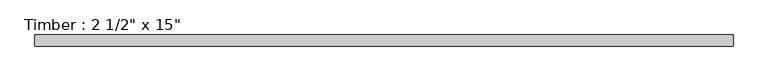
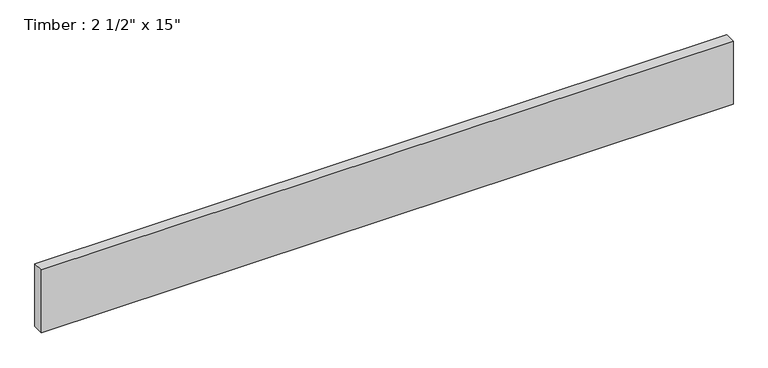
"""IFC4 building model written with IfcOpenShell, lengths in millimetres: beam geometry."""

import ifcopenshell
import ifcopenshell.guid

model = None  # the IFC model being written
_history = None  # IfcOwnerHistory: only IFC2X3 demands one
_inside = {}  # id of a spatial element -> (the spatial element, [elements in it])
_under = {}  # id of a project, library or spatial element -> (it, [spatial elements below it])
_declared = {}  # id of a project -> (the project, [libraries it declares])
_typed = {}  # id of a type object -> (the type object, [elements of that type])
_made_of = {}  # id of a material, layer set ... -> (it, [elements and type objects made of it])


def new_model(schema):
    """Start an empty IFC model of exactly this schema.

    Asked for "IFC4X3", IfcOpenShell would pick the latest addendum, in which some entities
    have other attributes; the version numbers below select the first issue.
    IFC2X3 requires an IfcOwnerHistory on every rooted entity: one is made here for all.
    """
    global model, _history
    if schema == "IFC4X3":
        model = ifcopenshell.file(schema_version=(4, 3, 0, 0))
    else:
        model = ifcopenshell.file(schema=schema)
    _inside.clear()
    _under.clear()
    _declared.clear()
    _typed.clear()
    _made_of.clear()
    _history = None
    if model.schema == "IFC2X3":
        org = make("IfcOrganization", Name="unknown")
        user = make(
            "IfcPersonAndOrganization",
            ThePerson=make("IfcPerson", FamilyName="unknown"),
            TheOrganization=org,
        )
        app = make(
            "IfcApplication",
            ApplicationDeveloper=org,
            Version="unknown",
            ApplicationFullName="unknown",
            ApplicationIdentifier="unknown",
        )
        _history = make(
            "IfcOwnerHistory",
            OwningUser=user,
            OwningApplication=app,
            ChangeAction="ADDED",
            CreationDate=0,
        )
    return model


def make(cls, **values):
    """One entity of the class cls with the attributes given. An attribute that is None is left unset."""
    return model.create_entity(
        cls, **{name: value for name, value in values.items() if value is not None}
    )


def rooted(cls, **values):
    """An entity with a GlobalId (a new one), such as an element, a storey or a relation."""
    return make(cls, GlobalId=ifcopenshell.guid.new(), OwnerHistory=_history, **values)


def si_unit(unit_type, name, prefix=None):
    """IfcSIUnit, for example si_unit("LENGTHUNIT", "METRE", prefix="MILLI")."""
    return make("IfcSIUnit", UnitType=unit_type, Prefix=prefix, Name=name)


def assignment(units):
    """IfcUnitAssignment: the units of a project."""
    return None if units is None else make("IfcUnitAssignment", Units=units)


def point(xyz):
    """IfcCartesianPoint."""
    return None if xyz is None else make("IfcCartesianPoint", Coordinates=xyz)


def direction(xyz):
    """IfcDirection."""
    return None if xyz is None else make("IfcDirection", DirectionRatios=xyz)


def frame(location, z_axis=None, x_axis=None):
    """IfcAxis2Placement3D, a coordinate frame: its origin and axes. An axis left out is left unset."""
    return make(
        "IfcAxis2Placement3D",
        Location=point(location),
        Axis=direction(z_axis),
        RefDirection=direction(x_axis),
    )


def origin():
    """The frame at (0, 0, 0) with its axes left unset."""
    return frame((0.0, 0.0, 0.0))


def place(relative_to, where):
    """IfcLocalPlacement: puts the frame where relative to a parent placement (None: the world)."""
    return make(
        "IfcLocalPlacement", PlacementRelTo=relative_to, RelativePlacement=where
    )


def context(
    kind, dimensions, precision=None, world=None, true_north=None, identifier=None
):
    """IfcGeometricRepresentationContext, for example the 3D "Model" context."""
    return make(
        "IfcGeometricRepresentationContext",
        ContextIdentifier=identifier,
        ContextType=kind,
        CoordinateSpaceDimension=dimensions,
        Precision=precision,
        WorldCoordinateSystem=world,
        TrueNorth=true_north,
    )


def project(units=None, contexts=None):
    """IfcProject with its units and contexts."""
    return rooted(
        "IfcProject",
        Name="project",
        RepresentationContexts=contexts,
        UnitsInContext=assignment(units),
    )


def spatial(cls, under=None, at=None, **own):
    """A site, building, storey or space (cls), placed at a placement, below another one or the project."""
    s = rooted(cls, ObjectPlacement=at, **own)
    if under is not None:
        _under.setdefault(under.id(), (under, []))[1].append(s)
    return s


def polyline(points):
    """IfcPolyline through the points."""
    return make("IfcPolyline", Points=[point(p) for p in points])


def outline(outer, holes=None, kind="AREA"):
    """IfcArbitraryClosedProfileDef: a profile drawn as a closed curve; with holes, ...WithVoids."""
    if holes is None:
        return make("IfcArbitraryClosedProfileDef", ProfileType=kind, OuterCurve=outer)
    return make(
        "IfcArbitraryProfileDefWithVoids",
        ProfileType=kind,
        OuterCurve=outer,
        InnerCurves=holes,
    )


def extrude(swept, where, along, depth):
    """IfcExtrudedAreaSolid: the profile swept, set in the frame where, extruded along a direction by depth."""
    return make(
        "IfcExtrudedAreaSolid",
        SweptArea=swept,
        Position=where,
        ExtrudedDirection=direction(along),
        Depth=depth,
    )


def shape(context_of_items, identifier, shape_type, items):
    """IfcShapeRepresentation: the items that make up one representation, for example the "Body"."""
    return make(
        "IfcShapeRepresentation",
        ContextOfItems=context_of_items,
        RepresentationIdentifier=identifier,
        RepresentationType=shape_type,
        Items=items,
    )


def source(mapping_origin, context_of_items, identifier, shape_type, items):
    """IfcRepresentationMap: a shape defined once, which mapped items show again and again."""
    return make(
        "IfcRepresentationMap",
        MappingOrigin=mapping_origin,
        MappedRepresentation=shape(context_of_items, identifier, shape_type, items),
    )


def transform(
    local_origin,
    x_axis=None,
    y_axis=None,
    z_axis=None,
    scale=None,
    scale2=None,
    scale3=None,
    uniform=True,
):
    """IfcCartesianTransformationOperator3D, or its non-uniform kind. x_axis, y_axis, z_axis: its Axis1, 2, 3."""
    if uniform:
        return make(
            "IfcCartesianTransformationOperator3D",
            Axis1=direction(x_axis),
            Axis2=direction(y_axis),
            LocalOrigin=point(local_origin),
            Scale=scale,
            Axis3=direction(z_axis),
        )
    return make(
        "IfcCartesianTransformationOperator3DnonUniform",
        Axis1=direction(x_axis),
        Axis2=direction(y_axis),
        LocalOrigin=point(local_origin),
        Scale=scale,
        Axis3=direction(z_axis),
        Scale2=scale2,
        Scale3=scale3,
    )


def mapped(mapping_source, mapping_target):
    """IfcMappedItem: shows the shape of a source again, moved by a transform."""
    return make(
        "IfcMappedItem", MappingSource=mapping_source, MappingTarget=mapping_target
    )


def made_of(thing, what):
    """Note that an element or type object is made of a material, layer set ...; save() writes the relation."""
    if what is not None:
        _made_of.setdefault(what.id(), (what, []))[1].append(thing)
    return thing


def element(
    cls,
    number,
    at=None,
    inside=None,
    cuts=None,
    type_object=None,
    material=None,
    context=None,
    identifier="Body",
    shape_type=None,
    held_by="IfcProductDefinitionShape",
    body=None,
    shapes=None,
    **own,
):
    """One element of the class cls, such as IfcWall. Its Tag is "e" and its number.

    at: its placement. inside: the storey or other place that contains it. cuts: it is an
    opening in that element (IfcRelVoidsElement). A single representation is given by context,
    identifier, shape_type and body (its items); several are given by shapes. held_by: the class
    of the entity that holds the representations. save() writes the other relations.
    """
    e = rooted(cls, Tag="e%d" % number, ObjectPlacement=at, **own)
    if body is not None:
        shapes = [shape(context, identifier, shape_type, body)]
    if shapes is not None:
        e.Representation = make(held_by, Representations=shapes)
    if inside is not None:
        _inside.setdefault(inside.id(), (inside, []))[1].append(e)
    if cuts is not None:
        rooted(
            "IfcRelVoidsElement", RelatingBuildingElement=cuts, RelatedOpeningElement=e
        )
    if type_object is not None:
        _typed.setdefault(type_object.id(), (type_object, []))[1].append(e)
    return made_of(e, material)


def aggregate(whole, parts):
    """IfcRelAggregates: a whole, such as a stair, and the parts it consists of."""
    return rooted("IfcRelAggregates", RelatingObject=whole, RelatedObjects=parts)


def save(model, path):
    """Write the relations noted so far, then the file.

    IfcRelAggregates (storeys below a building ...), IfcRelContainedInSpatialStructure (elements
    in a storey), IfcRelDefinesByType, IfcRelAssociatesMaterial and IfcRelDeclares: one each for
    every whole, place, type object, material and project.
    """
    for whole, parts in _under.values():
        aggregate(whole, parts)
    for where, things in _inside.values():
        rooted(
            "IfcRelContainedInSpatialStructure",
            RelatedElements=things,
            RelatingStructure=where,
        )
    for kind, things in _typed.values():
        rooted("IfcRelDefinesByType", RelatedObjects=things, RelatingType=kind)
    for what, things in _made_of.values():
        rooted("IfcRelAssociatesMaterial", RelatedObjects=things, RelatingMaterial=what)
    for by, libraries in _declared.values():
        rooted("IfcRelDeclares", RelatingContext=by, RelatedDefinitions=libraries)
    model.write(path)


def beam_e51bb3fd(model_context):
    return source(origin(), model_context, "Body", "SweptSolid", [
        extrude(outline(polyline([(1985.4785271, 31.75), (1985.4785271, -31.75), (-1985.4785271, -31.75), (-1985.4785271, 31.75), (1985.4785271, 31.75)])), frame((0.0, 0.0, -190.5), z_axis=(0.0, 0.0, 1.0), x_axis=(1.0, 0.0, 0.0)), (0.0, 0.0, 1.0), 381.0),
    ])


if __name__ == "__main__":
    model = new_model("IFC4")
    model_context = context("Model", 3, world=origin())
    ifc_project = project(units=[si_unit("LENGTHUNIT", "METRE", prefix="MILLI")], contexts=[model_context])
    site = spatial("IfcSite", under=ifc_project)
    building = spatial("IfcBuilding", under=site)
    placement = place(None, origin())
    beam_shape = beam_e51bb3fd(model_context)
    element("IfcBeam", 1, ObjectType="Timber : 2 1/2\" x 15\"", at=placement, inside=building, context=model_context, shape_type="MappedRepresentation", body=[
        mapped(beam_shape, transform((0.0, 0.0, 0.0), x_axis=(1.0, 0.0, 0.0), y_axis=(0.0, 1.0, 0.0), z_axis=(0.0, 0.0, 1.0))),
    ])
    save(model, "model.ifc")
